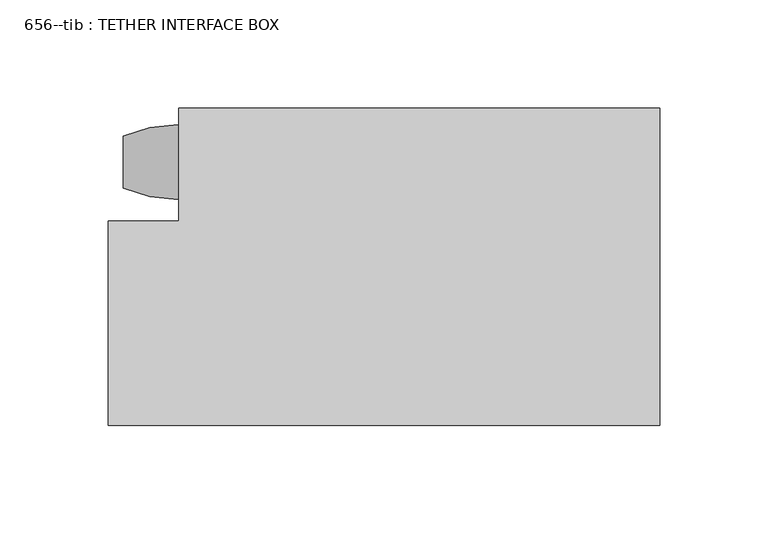
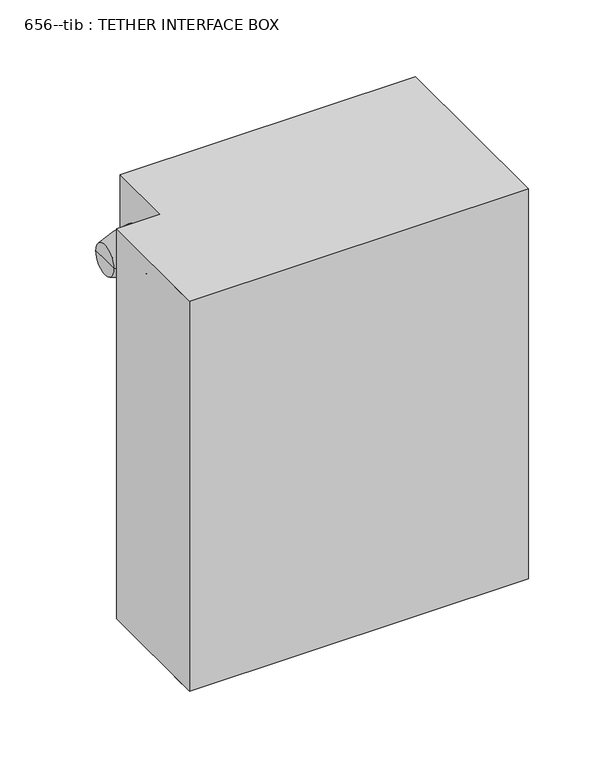
"""IFC4 building model written with IfcOpenShell, lengths in millimetres: proxy geometry, 656--tib : TETHER INTERFACE BOX."""

from ifc_helpers import new_model, si_unit, point, frame, origin, place, context, project, spatial, polyline, circle_curve, ellipse_curve, trimmed, outline, extrude, source, transform, mapped, element, save
from ifc_brep_helpers import plane_surface, revolved_surface, advanced_brep


def proxy_656_tib_tether_interface_box_2206c95c(model_context):
    return source(origin(), model_context, "Body", "SolidModel", [
        extrude(outline(polyline([(-801.8326378, 81.1429439), (-801.8326378, -65.5087277), (-1056.5946378, -65.5087277), (-1056.5946378, 29.0339036), (-1023.9099525, 29.0339036), (-1023.9099525, 81.1429439), (-801.8326378, 81.1429439)])), frame((0.0, 0.0, 302.26), z_axis=(0.0, 0.0, 1.0), x_axis=(1.0, 0.0, 0.0)), (0.0, 0.0, 1.0), 309.88),
        advanced_brep(
        [(-1024.3584952, 38.8377266, 568.7292887), (-1024.3584952, 73.5925623, 568.7292887), (-1024.3584952, 56.2151444, 568.7292887), (-1049.7584952, 44.2799735, 568.7292887), (-1049.7584952, 68.1503154, 568.7292887), (-1049.7584952, 56.2151444, 568.7292887)],
        [
            (0, 1, circle_curve(frame((-1024.3584952, 56.2151444, 568.7292887), z_axis=(1.0, 0.0, 0.0), x_axis=(0.0, 1.0, 0.0)), 17.3774179)),
            (1, 2),
            (2, 0),
            (1, 0, circle_curve(frame((-1024.3584952, 56.2151444, 568.7292887), z_axis=(1.0, 0.0, 0.0), x_axis=(0.0, 1.0, 0.0)), 17.3774179)),
            (3, 4, circle_curve(frame((-1049.7584952, 56.2151444, 568.7292887), z_axis=(1.0, 0.0, 0.0), x_axis=(0.0, 1.0, 0.0)), 11.935171)),
            (4, 1, circle_curve(frame((-1022.7485059, 4.0840003, 568.7292887), z_axis=(0.0, 0.0, -1.0), x_axis=(0.0, 1.0, 0.0)), 69.5272052)),
            (0, 3, circle_curve(frame((-1022.7485059, 108.3462886, 568.7292887), z_axis=(0.0, 0.0, -1.0), x_axis=(0.0, -1.0, 0.0)), 69.5272052)),
            (4, 3, circle_curve(frame((-1049.7584952, 56.2151444, 568.7292887), z_axis=(1.0, 0.0, 0.0), x_axis=(0.0, 1.0, 0.0)), 11.935171)),
            (5, 4),
            (3, 5),
        ],
        [
            plane_surface(frame((-1024.3584952, 56.2151444, 568.7292887), z_axis=(1.0, 0.0, 0.0), x_axis=(0.0, 1.0, 0.0))),
            revolved_surface(trimmed(ellipse_curve(frame((-1022.7485059, 4.0840003, 568.7292887), z_axis=(0.0, 0.0, 1.0), x_axis=(0.0, 1.0, 0.0)), 69.5272052, 69.5272052), [point((-1024.3584952, 73.5925623, 568.7292887))], [point((-1049.7584952, 68.1503154, 568.7292887))], True, "CARTESIAN"), (-1045.9009456, 56.2151444, 568.7292887), (-1.0, 0.0, 0.0)),
            plane_surface(frame((-1049.7584952, 56.2151444, 568.7292887), z_axis=(-1.0, 0.0, 0.0), x_axis=(0.0, 1.0, 0.0))),
        ],
        [
            (0, [[1, 2, 3]]),
            (0, [[4, -3, -2]]),
            (1, [[5, 6, -1, 7]]),
            (1, [[8, -7, -4, -6]]),
            (2, [[9, -5, 10]]),
            (2, [[-10, -8, -9]]),
        ],
    ),
        extrude(outline(polyline([(-801.8326378, -65.5087277), (-1056.5946378, -65.5087277), (-1056.5946378, -46.4587277), (-801.8326378, -46.4587277), (-801.8326378, -65.5087277)])), frame((0.0, 0.0, 302.26), z_axis=(0.0, 0.0, 1.0), x_axis=(1.0, 0.0, 0.0)), (0.0, 0.0, 1.0), 309.88),
    ])


if __name__ == "__main__":
    model = new_model("IFC4")
    model_context = context("Model", 3, world=origin())
    ifc_project = project(units=[si_unit("LENGTHUNIT", "METRE", prefix="MILLI")], contexts=[model_context])
    site = spatial("IfcSite", under=ifc_project)
    building = spatial("IfcBuilding", under=site)
    placement = place(None, origin())
    proxy_656_tib_tether_interface_box_shape = proxy_656_tib_tether_interface_box_2206c95c(model_context)
    element("IfcBuildingElementProxy", 1, Name="656--tib : TETHER INTERFACE BOX", ObjectType="656--tib : TETHER INTERFACE BOX", at=placement, inside=building, context=model_context, shape_type="MappedRepresentation", body=[
        mapped(proxy_656_tib_tether_interface_box_shape, transform((0.0, 0.0, 0.0), x_axis=(1.0, 0.0, 0.0), y_axis=(0.0, 1.0, 0.0), z_axis=(0.0, 0.0, 1.0))),
    ])
    save(model, "model.ifc")
